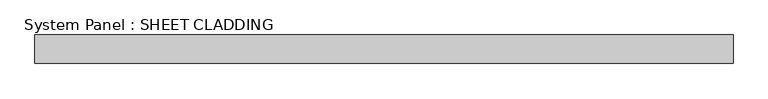
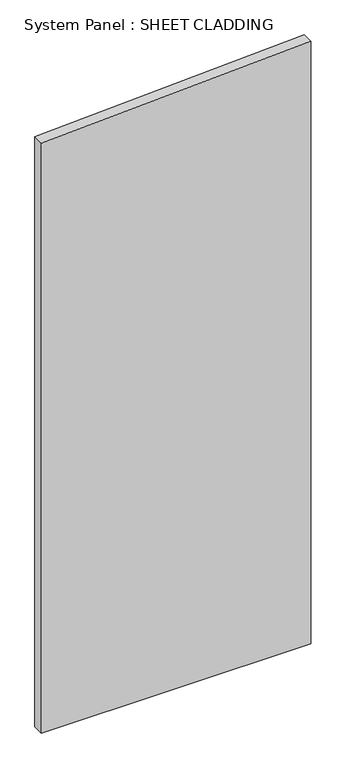
"""IFC4 building model written with IfcOpenShell, lengths in millimetres: plate geometry, System Panel : SHEET CLADDING."""

from ifc_helpers import new_model, si_unit, frame, origin, place, context, project, spatial, polyline, outline, extrude, source, transform, mapped, element, save


def system_panel_sheet_cladding_81566d03(model_context):
    return source(origin(), model_context, "Body", "SweptSolid", [
        extrude(outline(polyline([(0.0, -735.4591837), (0.0, 735.4591837), (3476.3755102, 735.4591837), (3402.8295918, -735.4591837), (0.0, -735.4591837)])), frame((0.0, -10.5, 0.0), z_axis=(0.0, 1.0, 0.0), x_axis=(0.0, 0.0, 1.0)), (0.0, 0.0, 1.0), 60.0),
    ])


if __name__ == "__main__":
    model = new_model("IFC4")
    model_context = context("Model", 3, world=origin())
    ifc_project = project(units=[si_unit("LENGTHUNIT", "METRE", prefix="MILLI")], contexts=[model_context])
    site = spatial("IfcSite", under=ifc_project)
    building = spatial("IfcBuilding", under=site)
    placement = place(None, origin())
    system_panel_sheet_cladding_shape = system_panel_sheet_cladding_81566d03(model_context)
    element("IfcPlate", 1, ObjectType="System Panel : SHEET CLADDING", at=placement, inside=building, context=model_context, shape_type="MappedRepresentation", body=[
        mapped(system_panel_sheet_cladding_shape, transform((0.0, 0.0, 0.0), x_axis=(1.0, 0.0, 0.0), y_axis=(0.0, 1.0, 0.0), z_axis=(0.0, 0.0, 1.0))),
    ])
    save(model, "model.ifc")
